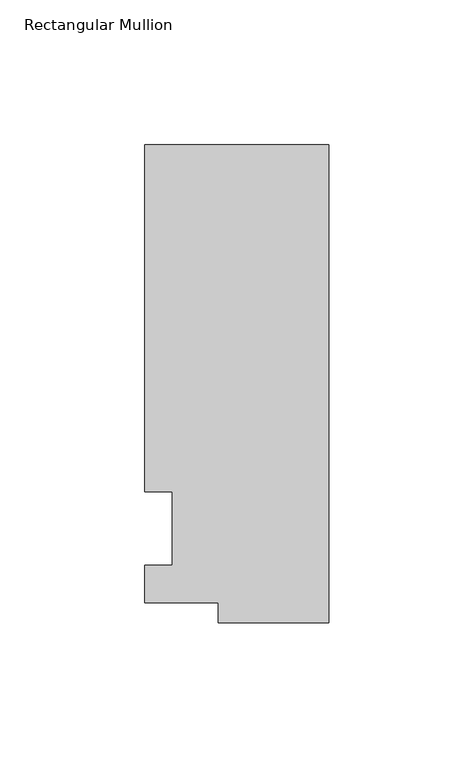
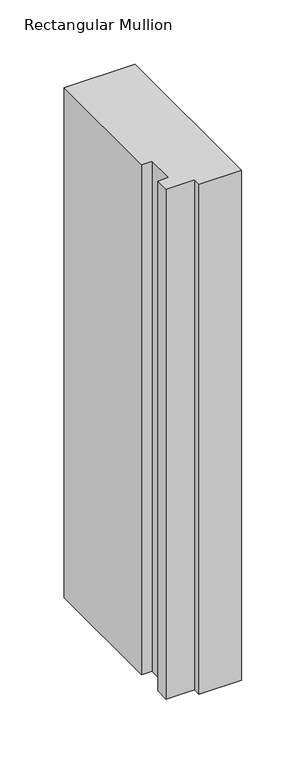
"""IFC4 building model written with IfcOpenShell, lengths in millimetres: member geometry, Rectangular Mullion."""

from ifc_helpers import new_model, si_unit, frame, origin, place, context, project, spatial, polyline, outline, extrude, source, transform, mapped, element, save


def rectangular_mullion_dceeb61e(model_context):
    return source(origin(), model_context, "Body", "SweptSolid", [
        extrude(outline(polyline([(-38.1, -32.54375), (-38.1, -25.58415), (-63.5, -25.58415), (-63.5, -12.7), (-53.975, -12.7), (-53.975, 12.7), (-63.5, 12.7), (-63.5, 132.55625), (0.0, 132.55625), (0.0, -32.54375), (-38.1, -32.54375)])), frame((0.0, 0.0, -482.6), z_axis=(0.0, 0.0, 1.0), x_axis=(1.0, 0.0, 0.0)), (0.0, 0.0, 1.0), 482.6),
    ])


if __name__ == "__main__":
    model = new_model("IFC4")
    model_context = context("Model", 3, world=origin())
    ifc_project = project(units=[si_unit("LENGTHUNIT", "METRE", prefix="MILLI")], contexts=[model_context])
    site = spatial("IfcSite", under=ifc_project)
    building = spatial("IfcBuilding", under=site)
    placement = place(None, origin())
    rectangular_mullion_shape = rectangular_mullion_dceeb61e(model_context)
    element("IfcMember", 1, ObjectType="Rectangular Mullion", at=placement, inside=building, context=model_context, shape_type="MappedRepresentation", body=[
        mapped(rectangular_mullion_shape, transform((0.0, 0.0, 0.0), x_axis=(1.0, 0.0, 0.0), y_axis=(0.0, 1.0, 0.0), z_axis=(0.0, 0.0, 1.0))),
    ])
    save(model, "model.ifc")
